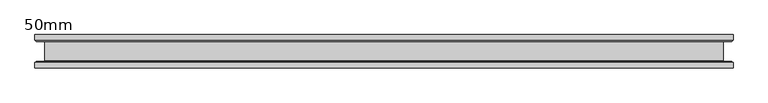
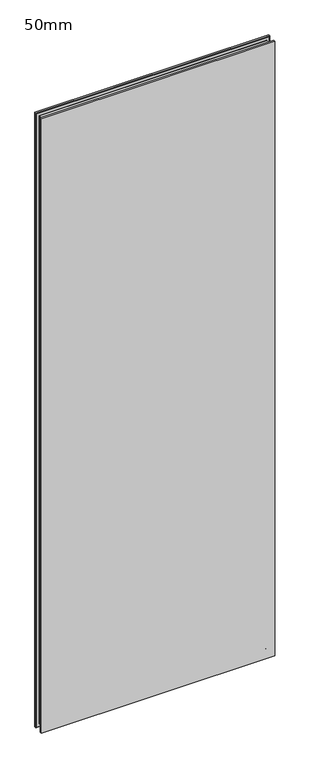
"""IFC4 building model written with IfcOpenShell, lengths in millimetres: plate geometry, 50mm."""

from ifc_helpers import new_model, si_unit, frame, origin, place, context, project, spatial, polyline, ellipse_curve, source, transform, mapped, element, save
from ifc_brep_helpers import plane_surface, revolved_surface, advanced_brep


def plate_50mm_0e36da85(model_context):
    return source(origin(), model_context, "Body", "AdvancedBrep", [
        advanced_brep(
        [(523.8017496, 25.0, 2899.4803257), (-523.8017496, 25.0, 2899.4803257), (-523.8017496, 17.0, 2899.4803257), (523.8017496, 17.0, 2899.4803257), (-523.8017496, -25.0, 2899.4803257), (523.8017496, -25.0, 2899.4803257), (523.8017496, -17.0, 2899.4803257), (-523.8017496, -17.0, 2899.4803257), (523.8017496, -25.0, -13.5), (-523.8017496, -25.0, -13.5), (-523.8017496, -17.0, -13.5), (523.8017496, -17.0, -13.5), (-523.8017496, 25.0, -13.5), (523.8017496, 25.0, -13.5), (523.8017496, 17.0, -13.5), (-523.8017496, 17.0, -13.5), (-521.8017496, -15.0, -11.5), (521.8017496, -15.0, -11.5), (-508.8017496, -14.4, 1.5), (508.8017496, -14.4, 1.5), (509.4017496, -15.0, 0.9), (-509.4017496, -15.0, 0.9), (-508.8017496, 14.4, 1.5), (508.8017496, 14.4, 1.5), (-509.4017496, 15.0, 0.9), (509.4017496, 15.0, 0.9), (521.8017496, 15.0, -11.5), (-521.8017496, 15.0, -11.5), (521.8017496, -15.0, 2897.4803257), (508.8017496, -14.4, 2884.4803257), (509.4017496, -15.0, 2885.0803257), (508.8017496, 14.4, 2884.4803257), (509.4017496, 15.0, 2885.0803257), (521.8017496, 15.0, 2897.4803257), (-521.8017496, -15.0, 2897.4803257), (-508.8017496, -14.4, 2884.4803257), (-509.4017496, -15.0, 2885.0803257), (-508.8017496, 14.4, 2884.4803257), (-509.4017496, 15.0, 2885.0803257), (-521.8017496, 15.0, 2897.4803257)],
        [
            (0, 1),
            (1, 2),
            (2, 3),
            (3, 0),
            (4, 5),
            (5, 6),
            (6, 7),
            (7, 4),
            (8, 9),
            (9, 10),
            (10, 11),
            (11, 8),
            (12, 13),
            (13, 14),
            (14, 15),
            (15, 12),
            (0, 13),
            (12, 1),
            (15, 2),
            (9, 4),
            (7, 10),
            (8, 5),
            (3, 14),
            (11, 6),
            (16, 17),
            (17, 11),
            (10, 16),
            (18, 19),
            (19, 20, ellipse_curve(frame((509.4017496, -14.4, 0.9), z_axis=(0.7071067811865475, 0.0, 0.7071067811865475), x_axis=(-0.7071067811865476, 0.0, 0.7071067811865474)), 0.8485281, 0.6)),
            (20, 21),
            (21, 18, ellipse_curve(frame((-509.4017496, -14.4, 0.9), z_axis=(-0.7071067811865475, 0.0, 0.7071067811865475), x_axis=(-0.7071067811865476, 0.0, -0.7071067811865474)), 0.8485281, 0.6)),
            (18, 22),
            (22, 23),
            (23, 19),
            (22, 24, ellipse_curve(frame((-509.4017496, 14.4, 0.9), z_axis=(-0.7071067811865475, 0.0, 0.7071067811865475), x_axis=(-0.7071067811865476, 0.0, -0.7071067811865474)), 0.8485281, 0.6)),
            (24, 25),
            (25, 23, ellipse_curve(frame((509.4017496, 14.4, 0.9), z_axis=(0.7071067811865475, 0.0, 0.7071067811865475), x_axis=(-0.7071067811865476, 0.0, 0.7071067811865474)), 0.8485281, 0.6)),
            (14, 26),
            (26, 27),
            (27, 15),
            (17, 28),
            (28, 6),
            (19, 29),
            (29, 30, ellipse_curve(frame((509.4017496, -14.4, 2885.0803257), z_axis=(-0.7071067811865475, 0.0, 0.7071067811865475), x_axis=(-0.7071067811865474, 0.0, -0.7071067811865476)), 0.8485281, 0.6)),
            (30, 20),
            (23, 31),
            (31, 29),
            (25, 32),
            (32, 31, ellipse_curve(frame((509.4017496, 14.4, 2885.0803257), z_axis=(-0.7071067811865475, 0.0, 0.7071067811865475), x_axis=(-0.7071067811865474, 0.0, -0.7071067811865476)), 0.8485281, 0.6)),
            (3, 33),
            (33, 26),
            (28, 34),
            (34, 7),
            (29, 35),
            (35, 36, ellipse_curve(frame((-509.4017496, -14.4, 2885.0803257), z_axis=(-0.7071067811865475, 0.0, -0.7071067811865475), x_axis=(0.7071067811865476, 0.0, -0.7071067811865474)), 0.8485281, 0.6)),
            (36, 30),
            (31, 37),
            (37, 35),
            (32, 38),
            (38, 37, ellipse_curve(frame((-509.4017496, 14.4, 2885.0803257), z_axis=(-0.7071067811865475, 0.0, -0.7071067811865475), x_axis=(0.7071067811865476, 0.0, -0.7071067811865474)), 0.8485281, 0.6)),
            (2, 39),
            (39, 33),
            (34, 16),
            (36, 21),
            (35, 18),
            (37, 22),
            (38, 24),
            (39, 27),
        ],
        [
            plane_surface(frame((-523.8017496, 25.0, 2899.4803257), z_axis=(0.0, 0.0, 1.0), x_axis=(-1.0, 0.0, 0.0))),
            plane_surface(frame((-523.8017496, 25.0, -13.5), z_axis=(0.0, 0.0, -1.0), x_axis=(1.0, 0.0, 0.0))),
            plane_surface(frame((523.8017496, 25.0, 2899.4803257), z_axis=(0.0, 1.0, 0.0), x_axis=(0.0, 0.0, -1.0))),
            plane_surface(frame((-523.8017496, 25.0, 2899.4803257), z_axis=(-1.0, 0.0, 0.0), x_axis=(0.0, 0.0, -1.0))),
            plane_surface(frame((-523.8017496, -25.0, 2899.4803257), z_axis=(0.0, -1.0, 0.0), x_axis=(0.0, 0.0, -1.0))),
            plane_surface(frame((523.8017496, -25.0, 2899.4803257), z_axis=(1.0, 0.0, 0.0), x_axis=(0.0, 0.0, -1.0))),
            plane_surface(frame((-523.8017496, -17.0, -13.5), z_axis=(0.0, 0.7071067811866751, -0.7071067811864199), x_axis=(1.0, 0.0, 0.0))),
            revolved_surface(polyline([(-510.0017495735374, -14.400000000002729, 1.5), (510.0017495735374, -14.400000000002729, 1.5)]), (-510.3017496, -14.4, 0.9), (-1.0, 0.0, 0.0)),
            plane_surface(frame((-508.8017496, -14.4, 1.5), z_axis=(0.0, 0.0, -1.0), x_axis=(1.0, 0.0, 0.0))),
            revolved_surface(polyline([(-510.0017495735374, 15.0, 0.9), (510.0017495735374, 15.0, 0.9)]), (-510.3017496, 14.4, 0.9), (-1.0, 0.0, 0.0)),
            plane_surface(frame((-521.8017496, 15.0, -11.5), z_axis=(0.0, -0.7071067811660012, -0.7071067812070939), x_axis=(1.0, 0.0, 0.0))),
            plane_surface(frame((523.8017496, -17.0, -13.5), z_axis=(0.7071067811864199, 0.7071067811866751, 0.0), x_axis=(0.0, 0.0, 1.0))),
            revolved_surface(polyline([(508.8017496, -14.400000000002729, 0.3000000264626632), (508.8017496, -14.400000000002729, 2885.680325673537)]), (509.4017496, -14.4, 0.0), (0.0, 0.0, -1.0)),
            plane_surface(frame((508.8017496, -14.4, 1.5), z_axis=(1.0, 0.0, 0.0), x_axis=(0.0, 0.0, 1.0))),
            revolved_surface(polyline([(509.4017496, 15.0, 0.3000000264626632), (509.4017496, 15.0, 2885.680325673537)]), (509.4017496, 14.4, 0.0), (0.0, 0.0, -1.0)),
            plane_surface(frame((521.8017496, 15.0, -11.5), z_axis=(0.7071067812070939, -0.7071067811660012, 0.0), x_axis=(0.0, 0.0, 1.0))),
            plane_surface(frame((523.8017496, -17.0, 2899.4803257), z_axis=(0.0, 0.7071067811866751, 0.7071067811864199), x_axis=(-1.0, 0.0, 0.0))),
            revolved_surface(polyline([(510.0017495735374, -14.400000000002729, 2884.4803257), (-510.0017495735374, -14.400000000002729, 2884.4803257)]), (510.3017496, -14.4, 2885.0803257), (1.0, 0.0, 0.0)),
            plane_surface(frame((508.8017496, -14.4, 2884.4803257), z_axis=(0.0, 0.0, 1.0), x_axis=(-1.0, 0.0, 0.0))),
            revolved_surface(polyline([(510.0017495735374, 15.0, 2885.0803257), (-510.0017495735374, 15.0, 2885.0803257)]), (510.3017496, 14.4, 2885.0803257), (1.0, 0.0, 0.0)),
            plane_surface(frame((521.8017496, 15.0, 2897.4803257), z_axis=(0.0, -0.7071067811660012, 0.7071067812070939), x_axis=(-1.0, 0.0, 0.0))),
            plane_surface(frame((-523.8017496, -17.0, 2899.4803257), z_axis=(-0.7071067811864199, 0.7071067811866751, 0.0), x_axis=(0.0, 0.0, -1.0))),
            plane_surface(frame((-521.8017496, -15.0, 2897.4803257), z_axis=(0.0, 1.0, 0.0), x_axis=(0.0, 0.0, -1.0))),
            revolved_surface(polyline([(-508.8017496, -14.400000000002729, 2885.680325673537), (-508.8017496, -14.400000000002729, 0.30000002646283974)]), (-509.4017496, -14.4, 2885.9803257), (0.0, 0.0, 1.0)),
            plane_surface(frame((-508.8017496, -14.4, 2884.4803257), z_axis=(-1.0, 0.0, 0.0), x_axis=(0.0, 0.0, -1.0))),
            revolved_surface(polyline([(-509.4017496, 15.0, 2885.680325673537), (-509.4017496, 15.0, 0.30000002646283974)]), (-509.4017496, 14.4, 2885.9803257), (0.0, 0.0, 1.0)),
            plane_surface(frame((-509.4017496, 15.0, 2885.0803257), z_axis=(0.0, -1.0, 0.0), x_axis=(0.0, 0.0, -1.0))),
            plane_surface(frame((-521.8017496, 15.0, 2897.4803257), z_axis=(-0.7071067812070939, -0.7071067811660012, 0.0), x_axis=(0.0, 0.0, -1.0))),
        ],
        [
            (0, [[1, 2, 3, 4]]),
            (0, [[5, 6, 7, 8]]),
            (1, [[9, 10, 11, 12]]),
            (1, [[13, 14, 15, 16]]),
            (2, [[-1, 17, -13, 18]]),
            (3, [[-18, -16, 19, -2]]),
            (3, [[20, -8, 21, -10]]),
            (4, [[-5, -20, -9, 22]]),
            (5, [[-17, -4, 23, -14]]),
            (5, [[-22, -12, 24, -6]]),
            (6, [[25, 26, -11, 27]]),
            (7, [[28, 29, 30, 31]]),
            (8, [[-28, 32, 33, 34]]),
            (9, [[-33, 35, 36, 37]]),
            (10, [[38, 39, 40, -15]]),
            (11, [[-26, 41, 42, -24]]),
            (12, [[-29, 43, 44, 45]]),
            (13, [[-34, 46, 47, -43]]),
            (14, [[-37, 48, 49, -46]]),
            (15, [[-38, -23, 50, 51]]),
            (16, [[-42, 52, 53, -7]]),
            (17, [[-44, 54, 55, 56]]),
            (18, [[-47, 57, 58, -54]]),
            (19, [[-49, 59, 60, -57]]),
            (20, [[-50, -3, 61, 62]]),
            (21, [[-27, -21, -53, 63]]),
            (22, [[-25, -63, -52, -41], [-30, -45, -56, 64]]),
            (23, [[-31, -64, -55, 65]]),
            (24, [[-32, -65, -58, 66]]),
            (25, [[-35, -66, -60, 67]]),
            (26, [[-39, -51, -62, 68], [-36, -67, -59, -48]]),
            (27, [[-40, -68, -61, -19]]),
        ],
    ),
    ])


if __name__ == "__main__":
    model = new_model("IFC4")
    model_context = context("Model", 3, world=origin())
    ifc_project = project(units=[si_unit("LENGTHUNIT", "METRE", prefix="MILLI")], contexts=[model_context])
    site = spatial("IfcSite", under=ifc_project)
    building = spatial("IfcBuilding", under=site)
    placement = place(None, origin())
    plate_50mm_shape = plate_50mm_0e36da85(model_context)
    element("IfcPlate", 1, ObjectType="50mm", at=placement, inside=building, context=model_context, shape_type="MappedRepresentation", body=[
        mapped(plate_50mm_shape, transform((0.0, 0.0, 0.0), x_axis=(1.0, 0.0, 0.0), y_axis=(0.0, 1.0, 0.0), z_axis=(0.0, 0.0, 1.0))),
    ])
    save(model, "model.ifc")
